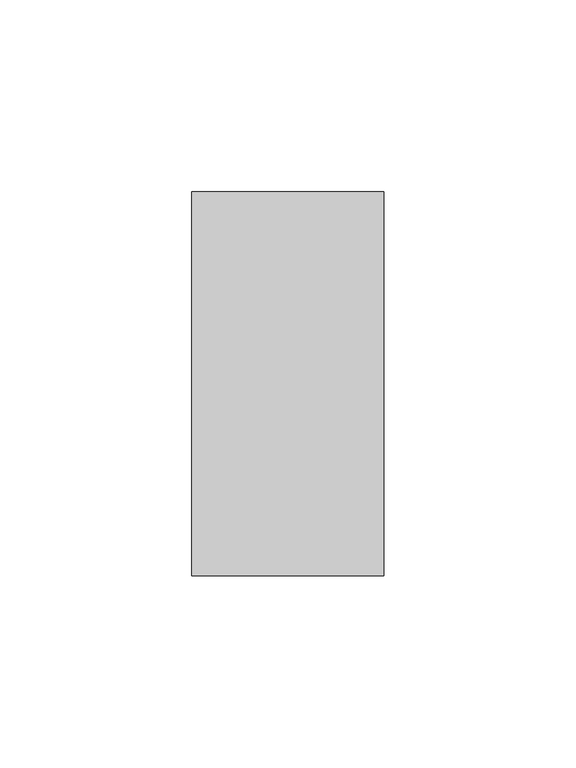
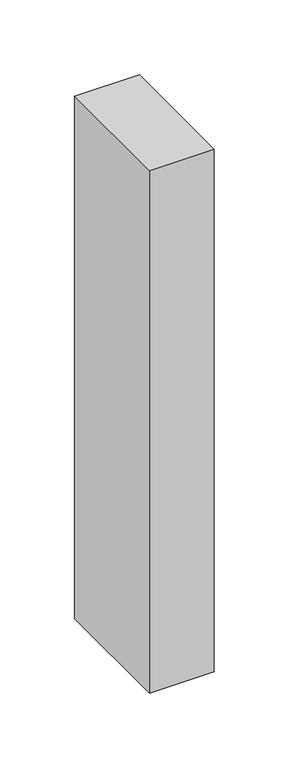
"""IFC4 building model written with IfcOpenShell, lengths in millimetres: member geometry."""

from ifc_helpers import new_model, si_unit, frame, origin, place, context, project, spatial, polyline, outline, extrude, source, transform, mapped, element, save


def member_e94dac3f(model_context):
    return source(origin(), model_context, "Body", "SweptSolid", [
        extrude(outline(polyline([(0.0, 50.0), (0.0, -50.0), (-50.0, -50.0), (-50.0, 50.0), (0.0, 50.0)])), frame((0.0, 0.0, -426.6624409), z_axis=(0.0, 0.0, 1.0), x_axis=(1.0, 0.0, 0.0)), (0.0, 0.0, 1.0), 426.6624409),
    ])


if __name__ == "__main__":
    model = new_model("IFC4")
    model_context = context("Model", 3, world=origin())
    ifc_project = project(units=[si_unit("LENGTHUNIT", "METRE", prefix="MILLI")], contexts=[model_context])
    site = spatial("IfcSite", under=ifc_project)
    building = spatial("IfcBuilding", under=site)
    placement = place(None, origin())
    member_shape = member_e94dac3f(model_context)
    element("IfcMember", 1, at=placement, inside=building, context=model_context, shape_type="MappedRepresentation", body=[
        mapped(member_shape, transform((0.0, 0.0, 0.0), x_axis=(1.0, 0.0, 0.0), y_axis=(0.0, 1.0, 0.0), z_axis=(0.0, 0.0, 1.0))),
    ])
    save(model, "model.ifc")
